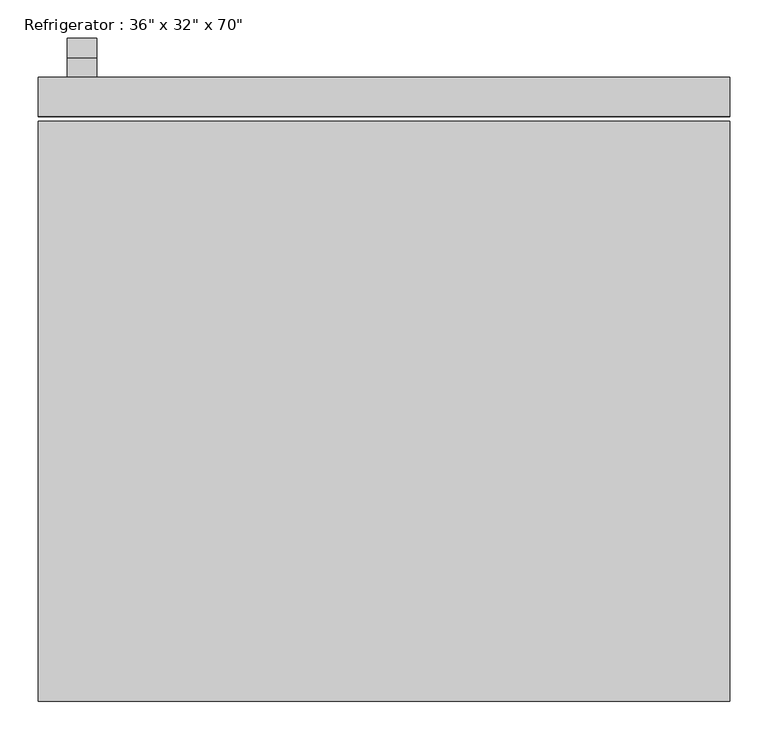
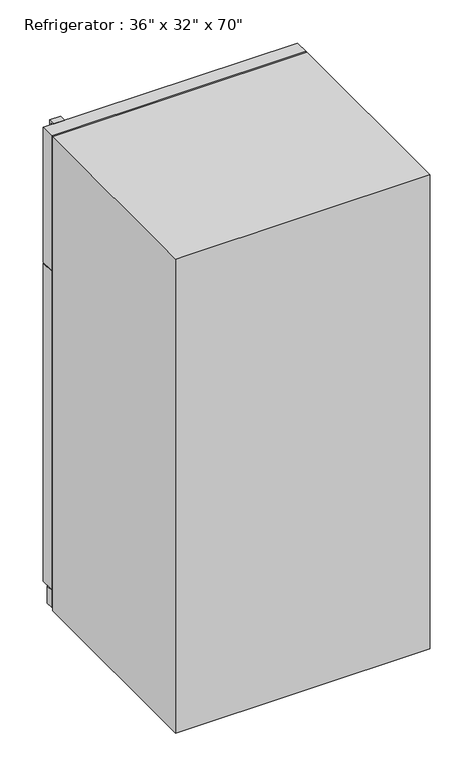
"""IFC4 building model written with IfcOpenShell, lengths in millimetres: proxy geometry."""

import ifcopenshell
import ifcopenshell.guid

model = None  # the IFC model being written
_history = None  # IfcOwnerHistory: only IFC2X3 demands one
_inside = {}  # id of a spatial element -> (the spatial element, [elements in it])
_under = {}  # id of a project, library or spatial element -> (it, [spatial elements below it])
_declared = {}  # id of a project -> (the project, [libraries it declares])
_typed = {}  # id of a type object -> (the type object, [elements of that type])
_made_of = {}  # id of a material, layer set ... -> (it, [elements and type objects made of it])


def new_model(schema):
    """Start an empty IFC model of exactly this schema.

    Asked for "IFC4X3", IfcOpenShell would pick the latest addendum, in which some entities
    have other attributes; the version numbers below select the first issue.
    IFC2X3 requires an IfcOwnerHistory on every rooted entity: one is made here for all.
    """
    global model, _history
    if schema == "IFC4X3":
        model = ifcopenshell.file(schema_version=(4, 3, 0, 0))
    else:
        model = ifcopenshell.file(schema=schema)
    _inside.clear()
    _under.clear()
    _declared.clear()
    _typed.clear()
    _made_of.clear()
    _history = None
    if model.schema == "IFC2X3":
        org = make("IfcOrganization", Name="unknown")
        user = make(
            "IfcPersonAndOrganization",
            ThePerson=make("IfcPerson", FamilyName="unknown"),
            TheOrganization=org,
        )
        app = make(
            "IfcApplication",
            ApplicationDeveloper=org,
            Version="unknown",
            ApplicationFullName="unknown",
            ApplicationIdentifier="unknown",
        )
        _history = make(
            "IfcOwnerHistory",
            OwningUser=user,
            OwningApplication=app,
            ChangeAction="ADDED",
            CreationDate=0,
        )
    return model


def make(cls, **values):
    """One entity of the class cls with the attributes given. An attribute that is None is left unset."""
    return model.create_entity(
        cls, **{name: value for name, value in values.items() if value is not None}
    )


def rooted(cls, **values):
    """An entity with a GlobalId (a new one), such as an element, a storey or a relation."""
    return make(cls, GlobalId=ifcopenshell.guid.new(), OwnerHistory=_history, **values)


def si_unit(unit_type, name, prefix=None):
    """IfcSIUnit, for example si_unit("LENGTHUNIT", "METRE", prefix="MILLI")."""
    return make("IfcSIUnit", UnitType=unit_type, Prefix=prefix, Name=name)


def assignment(units):
    """IfcUnitAssignment: the units of a project."""
    return None if units is None else make("IfcUnitAssignment", Units=units)


def point(xyz):
    """IfcCartesianPoint."""
    return None if xyz is None else make("IfcCartesianPoint", Coordinates=xyz)


def direction(xyz):
    """IfcDirection."""
    return None if xyz is None else make("IfcDirection", DirectionRatios=xyz)


def frame(location, z_axis=None, x_axis=None):
    """IfcAxis2Placement3D, a coordinate frame: its origin and axes. An axis left out is left unset."""
    return make(
        "IfcAxis2Placement3D",
        Location=point(location),
        Axis=direction(z_axis),
        RefDirection=direction(x_axis),
    )


def origin():
    """The frame at (0, 0, 0) with its axes left unset."""
    return frame((0.0, 0.0, 0.0))


def origin_with_axes():
    """The frame at (0, 0, 0) with the z axis (0, 0, 1) and the x axis (1, 0, 0) written out."""
    return frame((0.0, 0.0, 0.0), z_axis=(0.0, 0.0, 1.0), x_axis=(1.0, 0.0, 0.0))


def place(relative_to, where):
    """IfcLocalPlacement: puts the frame where relative to a parent placement (None: the world)."""
    return make(
        "IfcLocalPlacement", PlacementRelTo=relative_to, RelativePlacement=where
    )


def context(
    kind, dimensions, precision=None, world=None, true_north=None, identifier=None
):
    """IfcGeometricRepresentationContext, for example the 3D "Model" context."""
    return make(
        "IfcGeometricRepresentationContext",
        ContextIdentifier=identifier,
        ContextType=kind,
        CoordinateSpaceDimension=dimensions,
        Precision=precision,
        WorldCoordinateSystem=world,
        TrueNorth=true_north,
    )


def project(units=None, contexts=None):
    """IfcProject with its units and contexts."""
    return rooted(
        "IfcProject",
        Name="project",
        RepresentationContexts=contexts,
        UnitsInContext=assignment(units),
    )


def spatial(cls, under=None, at=None, **own):
    """A site, building, storey or space (cls), placed at a placement, below another one or the project."""
    s = rooted(cls, ObjectPlacement=at, **own)
    if under is not None:
        _under.setdefault(under.id(), (under, []))[1].append(s)
    return s


def polyline(points):
    """IfcPolyline through the points."""
    return make("IfcPolyline", Points=[point(p) for p in points])


def outline(outer, holes=None, kind="AREA"):
    """IfcArbitraryClosedProfileDef: a profile drawn as a closed curve; with holes, ...WithVoids."""
    if holes is None:
        return make("IfcArbitraryClosedProfileDef", ProfileType=kind, OuterCurve=outer)
    return make(
        "IfcArbitraryProfileDefWithVoids",
        ProfileType=kind,
        OuterCurve=outer,
        InnerCurves=holes,
    )


def extrude(swept, where, along, depth):
    """IfcExtrudedAreaSolid: the profile swept, set in the frame where, extruded along a direction by depth."""
    return make(
        "IfcExtrudedAreaSolid",
        SweptArea=swept,
        Position=where,
        ExtrudedDirection=direction(along),
        Depth=depth,
    )


def shape(context_of_items, identifier, shape_type, items):
    """IfcShapeRepresentation: the items that make up one representation, for example the "Body"."""
    return make(
        "IfcShapeRepresentation",
        ContextOfItems=context_of_items,
        RepresentationIdentifier=identifier,
        RepresentationType=shape_type,
        Items=items,
    )


def source(mapping_origin, context_of_items, identifier, shape_type, items):
    """IfcRepresentationMap: a shape defined once, which mapped items show again and again."""
    return make(
        "IfcRepresentationMap",
        MappingOrigin=mapping_origin,
        MappedRepresentation=shape(context_of_items, identifier, shape_type, items),
    )


def transform(
    local_origin,
    x_axis=None,
    y_axis=None,
    z_axis=None,
    scale=None,
    scale2=None,
    scale3=None,
    uniform=True,
):
    """IfcCartesianTransformationOperator3D, or its non-uniform kind. x_axis, y_axis, z_axis: its Axis1, 2, 3."""
    if uniform:
        return make(
            "IfcCartesianTransformationOperator3D",
            Axis1=direction(x_axis),
            Axis2=direction(y_axis),
            LocalOrigin=point(local_origin),
            Scale=scale,
            Axis3=direction(z_axis),
        )
    return make(
        "IfcCartesianTransformationOperator3DnonUniform",
        Axis1=direction(x_axis),
        Axis2=direction(y_axis),
        LocalOrigin=point(local_origin),
        Scale=scale,
        Axis3=direction(z_axis),
        Scale2=scale2,
        Scale3=scale3,
    )


def mapped(mapping_source, mapping_target):
    """IfcMappedItem: shows the shape of a source again, moved by a transform."""
    return make(
        "IfcMappedItem", MappingSource=mapping_source, MappingTarget=mapping_target
    )


def made_of(thing, what):
    """Note that an element or type object is made of a material, layer set ...; save() writes the relation."""
    if what is not None:
        _made_of.setdefault(what.id(), (what, []))[1].append(thing)
    return thing


def element(
    cls,
    number,
    at=None,
    inside=None,
    cuts=None,
    type_object=None,
    material=None,
    context=None,
    identifier="Body",
    shape_type=None,
    held_by="IfcProductDefinitionShape",
    body=None,
    shapes=None,
    **own,
):
    """One element of the class cls, such as IfcWall. Its Tag is "e" and its number.

    at: its placement. inside: the storey or other place that contains it. cuts: it is an
    opening in that element (IfcRelVoidsElement). A single representation is given by context,
    identifier, shape_type and body (its items); several are given by shapes. held_by: the class
    of the entity that holds the representations. save() writes the other relations.
    """
    e = rooted(cls, Tag="e%d" % number, ObjectPlacement=at, **own)
    if body is not None:
        shapes = [shape(context, identifier, shape_type, body)]
    if shapes is not None:
        e.Representation = make(held_by, Representations=shapes)
    if inside is not None:
        _inside.setdefault(inside.id(), (inside, []))[1].append(e)
    if cuts is not None:
        rooted(
            "IfcRelVoidsElement", RelatingBuildingElement=cuts, RelatedOpeningElement=e
        )
    if type_object is not None:
        _typed.setdefault(type_object.id(), (type_object, []))[1].append(e)
    return made_of(e, material)


def aggregate(whole, parts):
    """IfcRelAggregates: a whole, such as a stair, and the parts it consists of."""
    return rooted("IfcRelAggregates", RelatingObject=whole, RelatedObjects=parts)


def save(model, path):
    """Write the relations noted so far, then the file.

    IfcRelAggregates (storeys below a building ...), IfcRelContainedInSpatialStructure (elements
    in a storey), IfcRelDefinesByType, IfcRelAssociatesMaterial and IfcRelDeclares: one each for
    every whole, place, type object, material and project.
    """
    for whole, parts in _under.values():
        aggregate(whole, parts)
    for where, things in _inside.values():
        rooted(
            "IfcRelContainedInSpatialStructure",
            RelatedElements=things,
            RelatingStructure=where,
        )
    for kind, things in _typed.values():
        rooted("IfcRelDefinesByType", RelatedObjects=things, RelatingType=kind)
    for what, things in _made_of.values():
        rooted("IfcRelAssociatesMaterial", RelatedObjects=things, RelatingMaterial=what)
    for by, libraries in _declared.values():
        rooted("IfcRelDeclares", RelatingContext=by, RelatedDefinitions=libraries)
    model.write(path)


def proxy_b141bc72(model_context):
    return source(origin(), model_context, "Body", "SweptSolid", [
        extrude(outline(polyline([(422.6635285, 1265.2375), (422.6635285, 1271.5875), (473.4635285, 1271.5875), (473.4635285, 1068.3875), (445.5574512, 669.3120017), (422.6635285, 669.3120017), (422.6635285, 675.6465334), (439.6348987, 675.6465334), (467.1135285, 1068.6092469), (467.1135285, 1265.2375), (422.6635285, 1265.2375)])), frame((-414.3375, 0.0, 0.0), z_axis=(1.0, 0.0, 0.0), x_axis=(0.0, 1.0, 0.0)), (0.0, 0.0, 1.0), 38.4332978),
        extrude(outline(polyline([(447.501913, 1781.175), (474.0418675, 1274.7625), (423.4405855, 1274.7625), (423.4405855, 1281.1125), (468.1632207, 1281.1125), (442.2888449, 1774.825), (423.4405855, 1774.825), (423.4405855, 1781.175), (447.501913, 1781.175)])), frame((-414.3375, 0.0, 0.0), z_axis=(1.0, 0.0, 0.0), x_axis=(0.0, 1.0, 0.0)), (0.0, 0.0, 1.0), 38.4332978),
        extrude(outline(polyline([(452.4375, 371.8635285), (-452.4375, 371.8635285), (-452.4375, 397.2635285), (452.4375, 397.2635285), (452.4375, 371.8635285)])), frame((0.0, 0.0, 9.3816357), z_axis=(0.0, 0.0, 1.0), x_axis=(1.0, 0.0, 0.0)), (0.0, 0.0, 1.0), 63.5),
        extrude(outline(polyline([(452.4375, 371.8635285), (-452.4375, 371.8635285), (-452.4375, 422.6635285), (452.4375, 422.6635285), (452.4375, 371.8635285)])), frame((0.0, 0.0, 76.2), z_axis=(0.0, 0.0, 1.0), x_axis=(1.0, 0.0, 0.0)), (0.0, 0.0, 1.0), 1195.3875),
        extrude(outline(polyline([(452.4375, 371.8635285), (-452.4375, 371.8635285), (-452.4375, 422.6635285), (452.4375, 422.6635285), (452.4375, 371.8635285)])), frame((0.0, 0.0, 1274.7625), z_axis=(0.0, 0.0, 1.0), x_axis=(1.0, 0.0, 0.0)), (0.0, 0.0, 1.0), 506.4125),
        extrude(outline(polyline([(452.4375, -393.3114715), (-452.4375, -393.3114715), (-452.4375, 365.5135285), (452.4375, 365.5135285), (452.4375, -393.3114715)])), origin_with_axes(), (0.0, 0.0, 1.0), 1781.175),
    ])


if __name__ == "__main__":
    model = new_model("IFC4")
    model_context = context("Model", 3, world=origin())
    ifc_project = project(units=[si_unit("LENGTHUNIT", "METRE", prefix="MILLI")], contexts=[model_context])
    site = spatial("IfcSite", under=ifc_project)
    building = spatial("IfcBuilding", under=site)
    placement = place(None, origin())
    proxy_shape = proxy_b141bc72(model_context)
    element("IfcBuildingElementProxy", 1, Name="Refrigerator : 36\" x 32\" x 70\"", ObjectType="Refrigerator : 36\" x 32\" x 70\"", at=placement, inside=building, context=model_context, shape_type="MappedRepresentation", body=[
        mapped(proxy_shape, transform((0.0, 0.0, 0.0), x_axis=(1.0, 0.0, 0.0), y_axis=(0.0, 1.0, 0.0), z_axis=(0.0, 0.0, 1.0))),
    ])
    save(model, "model.ifc")
